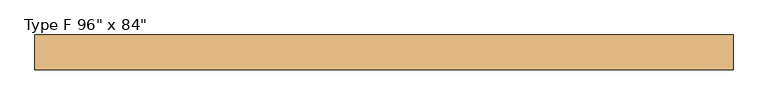
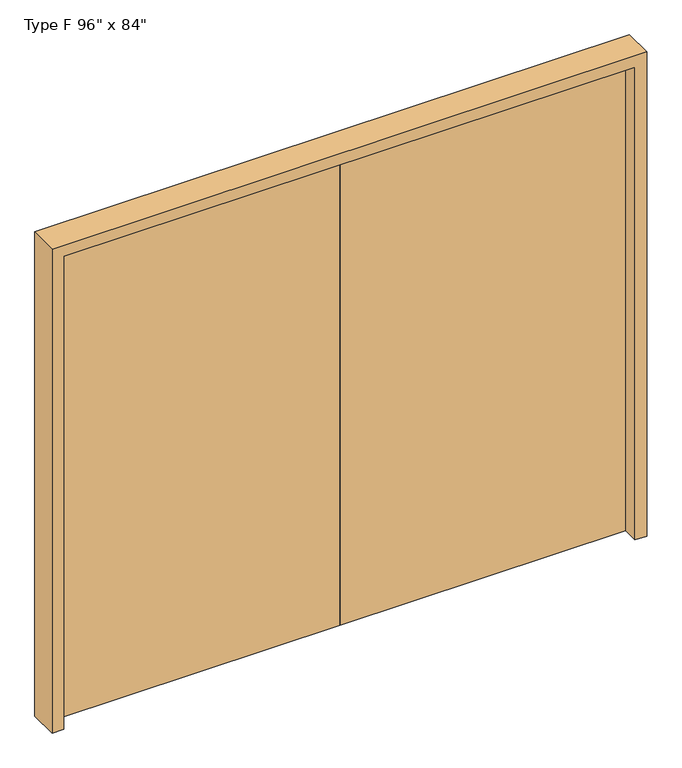
"""IFC4 building model written with IfcOpenShell, lengths in millimetres: door geometry."""

from ifc_helpers import new_model, si_unit, frame, origin, origin_with_axes, place, context, project, spatial, polyline, outline, extrude, source, transform, mapped, element, save


def door_1769697f(model_context):
    return source(origin(), model_context, "Body", "SweptSolid", [
        extrude(outline(polyline([(0.0, 50.8), (0.0, 6.35), (-1219.2, 6.35), (-1219.2, 50.8), (0.0, 50.8)])), origin_with_axes(), (0.0, 0.0, 1.0), 2133.6),
        extrude(outline(polyline([(0.0, 50.8), (1219.2, 50.8), (1219.2, 6.35), (0.0, 6.35), (0.0, 50.8)])), origin_with_axes(), (0.0, 0.0, 1.0), 2133.6),
        extrude(outline(polyline([(0.0, 1270.0), (2184.4, 1270.0), (2184.4, -1270.0), (0.0, -1270.0), (0.0, -1219.2), (2133.6, -1219.2), (2133.6, 1219.2), (0.0, 1219.2), (0.0, 1270.0)])), frame((0.0, -63.5, 0.0), z_axis=(0.0, 1.0, 0.0), x_axis=(0.0, 0.0, 1.0)), (0.0, 0.0, 1.0), 127.0),
    ])


if __name__ == "__main__":
    model = new_model("IFC4")
    model_context = context("Model", 3, world=origin())
    ifc_project = project(units=[si_unit("LENGTHUNIT", "METRE", prefix="MILLI")], contexts=[model_context])
    site = spatial("IfcSite", under=ifc_project)
    building = spatial("IfcBuilding", under=site)
    placement = place(None, origin())
    door_shape = door_1769697f(model_context)
    element("IfcDoor", 1, ObjectType="Type F 96\" x 84\"", at=placement, inside=building, context=model_context, shape_type="MappedRepresentation", body=[
        mapped(door_shape, transform((0.0, 0.0, 0.0), x_axis=(1.0, 0.0, 0.0), y_axis=(0.0, 1.0, 0.0), z_axis=(0.0, 0.0, 1.0))),
    ])
    save(model, "model.ifc")
